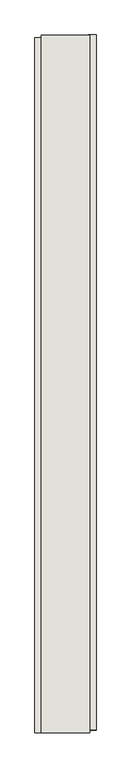
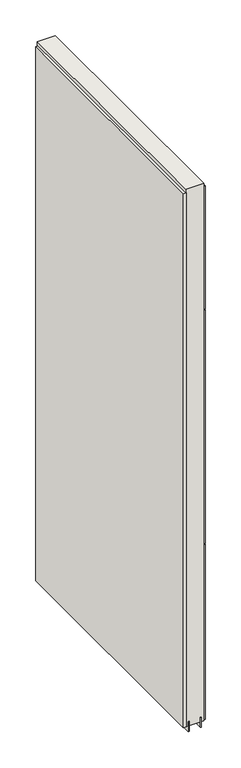
"""IFC4 building model written with IfcOpenShell, lengths in millimetres: wall geometry."""

from ifc_helpers import new_model, si_unit, frame, origin, place, context, project, spatial, polyline, outline, extrude, source, transform, mapped, element, save


def wall_e9bcfff2(model_context):
    return source(origin(), model_context, "Body", "SweptSolid", [
        extrude(outline(polyline([(67339.882211, -39471.0307352), (67339.882211, -39473.5707352), (67337.342211, -39473.5707352), (67337.342211, -39471.0307352), (67339.882211, -39471.0307352)])), frame((0.0, 0.0, 4419.6), z_axis=(0.0, 0.0, 1.0), x_axis=(1.0, 0.0, 0.0)), (0.0, 0.0, 1.0), 2.54),
        extrude(outline(polyline([(67287.812211, -40630.8954208), (67287.812211, -39475.495598), (67300.512211, -39475.495598), (67300.512211, -40630.8954208), (67287.812211, -40630.8954208)])), frame((0.0, 0.0, 4445.0), z_axis=(0.0, 0.0, 1.0), x_axis=(1.0, 0.0, 0.0)), (0.0, 0.0, 1.0), 2545.0498756),
        extrude(outline(polyline([(67389.412211, -39470.5656612), (67389.412211, -40625.965484), (67376.712211, -40625.965484), (67376.712211, -39470.5656612), (67389.412211, -39470.5656612)])), frame((0.0, 0.0, 6402.8000722), z_axis=(0.0, 0.0, 1.0), x_axis=(1.0, 0.0, 0.0)), (0.0, 0.0, 1.0), 587.2498034),
        extrude(outline(polyline([(67389.412211, -39470.5656612), (67389.412211, -40625.965484), (67376.712211, -40625.965484), (67376.712211, -39470.5656612), (67389.412211, -39470.5656612)])), frame((0.0, 0.0, 5285.2000722), z_axis=(0.0, 0.0, 1.0), x_axis=(1.0, 0.0, 0.0)), (0.0, 0.0, 1.0), 1113.5999572),
        extrude(outline(polyline([(67389.412211, -39470.5656612), (67389.412211, -40625.965484), (67376.712211, -40625.965484), (67376.712211, -39470.5656612), (67389.412211, -39470.5656612)])), frame((0.0, 0.0, 4445.0), z_axis=(0.0, 0.0, 1.0), x_axis=(1.0, 0.0, 0.0)), (0.0, 0.0, 1.0), 836.200004),
        extrude(outline(polyline([(67313.5284664, -39471.0418858), (67313.5284664, -40630.4253938), (67308.449711, -40630.4253938), (67308.449711, -39471.0418858), (67313.5284664, -39471.0418858)])), frame((0.0, 0.0, 4418.6602), z_axis=(0.0, 0.0, 1.0), x_axis=(1.0, 0.0, 0.0)), (0.0, 0.0, 1.0), 47.625),
        extrude(outline(polyline([(67313.5284664, -39471.0418858), (67313.5284664, -40630.4253938), (67308.449711, -40630.4253938), (67308.449711, -39471.0418858), (67313.5284664, -39471.0418858)])), frame((0.0, 0.0, 4418.6602), z_axis=(0.0, 0.0, 1.0), x_axis=(1.0, 0.0, 0.0)), (0.0, 0.0, 1.0), 47.625),
        extrude(outline(polyline([(67363.6959556, -40630.4253938), (67363.6959556, -39471.0418858), (67368.774711, -39471.0418858), (67368.774711, -40630.4253938), (67363.6959556, -40630.4253938)])), frame((0.0, 0.0, 4418.6602), z_axis=(0.0, 0.0, 1.0), x_axis=(1.0, 0.0, 0.0)), (0.0, 0.0, 1.0), 47.625),
        extrude(outline(polyline([(67363.6959556, -40630.4253938), (67363.6959556, -39471.0418858), (67368.774711, -39471.0418858), (67368.774711, -40630.4253938), (67363.6959556, -40630.4253938)])), frame((0.0, 0.0, 4418.6602), z_axis=(0.0, 0.0, 1.0), x_axis=(1.0, 0.0, 0.0)), (0.0, 0.0, 1.0), 47.625),
        extrude(outline(polyline([(67297.9573266, -39471.0418858), (67379.2670954, -39471.0418858), (67379.2670954, -40630.4253938), (67297.9573266, -40630.4253938), (67297.9573266, -39471.0418858)])), frame((0.0, 0.0, 4445.0), z_axis=(0.0, 0.0, 1.0), x_axis=(1.0, 0.0, 0.0)), (0.0, 0.0, 1.0), 2562.4536762),
    ])


if __name__ == "__main__":
    model = new_model("IFC4")
    model_context = context("Model", 3, world=origin())
    ifc_project = project(units=[si_unit("LENGTHUNIT", "METRE", prefix="MILLI")], contexts=[model_context])
    site = spatial("IfcSite", under=ifc_project)
    building = spatial("IfcBuilding", under=site)
    placement = place(None, origin())
    wall_shape = wall_e9bcfff2(model_context)
    element("IfcWall", 1, at=placement, inside=building, context=model_context, shape_type="MappedRepresentation", body=[
        mapped(wall_shape, transform((0.0, 0.0, 0.0), x_axis=(1.0, 0.0, 0.0), y_axis=(0.0, 1.0, 0.0), z_axis=(0.0, 0.0, 1.0))),
    ])
    save(model, "model.ifc")
